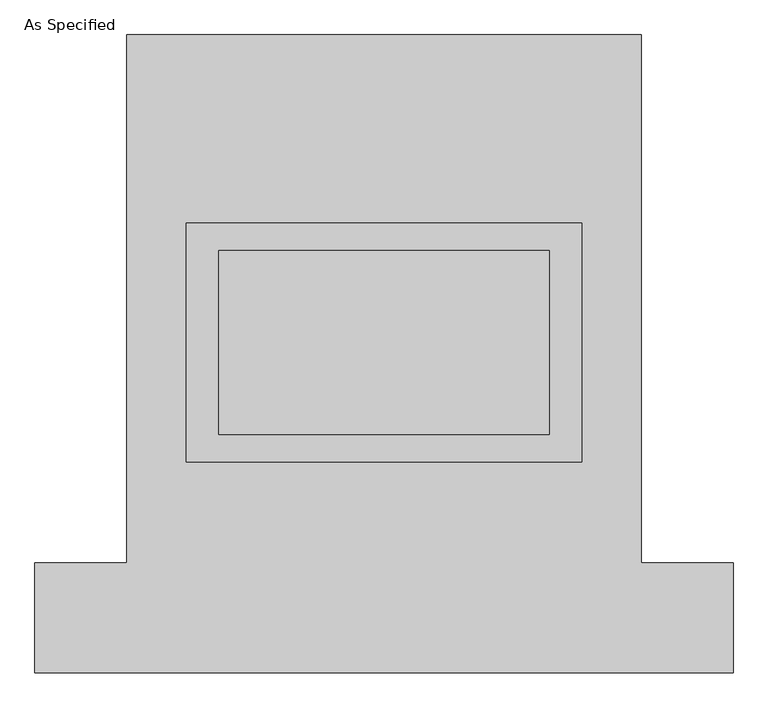
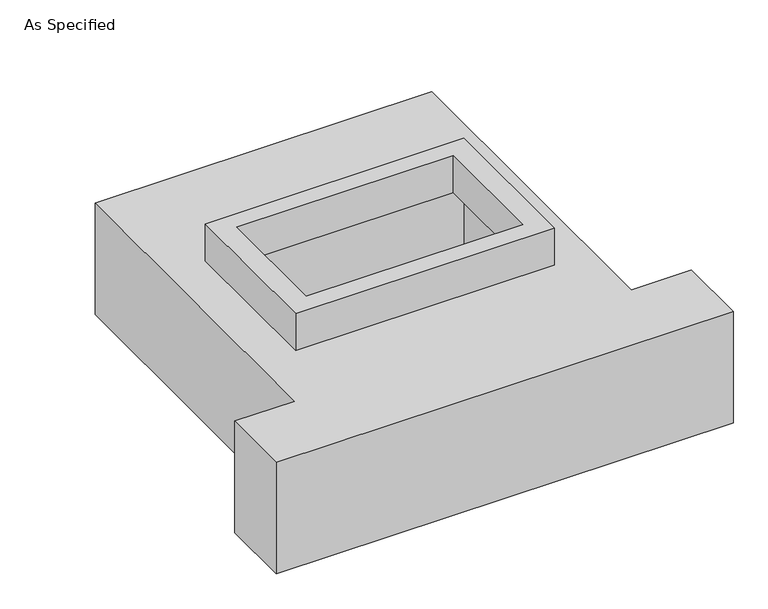
"""IFC4 building model written with IfcOpenShell, lengths in millimetres: proxy geometry, As Specified."""

from ifc_helpers import new_model, si_unit, frame, origin, place, context, project, spatial, polyline, outline, extrude, faceted_brep, source, transform, mapped, element, save


def as_specified_d621ceaa(model_context):
    return source(origin(), model_context, "Body", "SolidModel", [
        extrude(outline(polyline([(546.1, 361.95), (546.1, -298.45), (-546.1, -298.45), (-546.1, 361.95), (546.1, 361.95)]), holes=[polyline([(457.2, 285.75), (-457.2, 285.75), (-457.2, -222.25), (457.2, -222.25), (457.2, 285.75)])]), frame((0.0, 0.0, -25.4), z_axis=(0.0, 0.0, 1.0), x_axis=(1.0, 0.0, 0.0)), (0.0, 0.0, 1.0), 165.1),
        faceted_brep([(-711.2, 882.65, -523.875), (711.2, 882.65, -523.875), (711.2, -577.85, -523.875), (965.2, -577.85, -523.875), (965.2, -882.65, -523.875), (-965.2, -882.65, -523.875), (-965.2, -577.85, -523.875), (-711.2, -577.85, -523.875), (711.2, 882.65, -25.4), (-711.2, 882.65, -25.4), (-711.2, -577.85, -25.4), (-965.2, -577.85, -25.4), (-965.2, -882.65, -25.4), (965.2, -882.65, -25.4), (965.2, -577.85, -25.4), (711.2, -577.85, -25.4), (-546.1, -298.45, -25.4), (-546.1, 361.95, -25.4), (546.1, 361.95, -25.4), (546.1, -298.45, -25.4), (546.1, 361.95, -498.475), (-546.1, 361.95, -498.475), (-546.1, -298.45, -498.475), (546.1, -298.45, -498.475)], [[[0, 1, 2, 3, 4, 5, 6, 7]], [[8, 9, 10, 11, 12, 13, 14, 15], [16, 17, 18, 19]], [[1, 0, 9, 8]], [[9, 0, 7, 10]], [[1, 8, 15, 2]], [[20, 21, 22, 23]], [[22, 21, 17, 16]], [[21, 20, 18, 17]], [[20, 23, 19, 18]], [[23, 22, 16, 19]], [[5, 4, 13, 12]], [[3, 2, 15, 14]], [[4, 3, 14, 13]], [[7, 6, 11, 10]], [[6, 5, 12, 11]]]),
    ])


if __name__ == "__main__":
    model = new_model("IFC4")
    model_context = context("Model", 3, world=origin())
    ifc_project = project(units=[si_unit("LENGTHUNIT", "METRE", prefix="MILLI")], contexts=[model_context])
    site = spatial("IfcSite", under=ifc_project)
    building = spatial("IfcBuilding", under=site)
    placement = place(None, origin())
    as_specified_shape = as_specified_d621ceaa(model_context)
    element("IfcBuildingElementProxy", 1, Name="As Specified", ObjectType="As Specified", at=placement, inside=building, context=model_context, shape_type="MappedRepresentation", body=[
        mapped(as_specified_shape, transform((0.0, 0.0, 0.0), x_axis=(1.0, 0.0, 0.0), y_axis=(0.0, 1.0, 0.0), z_axis=(0.0, 0.0, 1.0))),
    ])
    save(model, "model.ifc")
